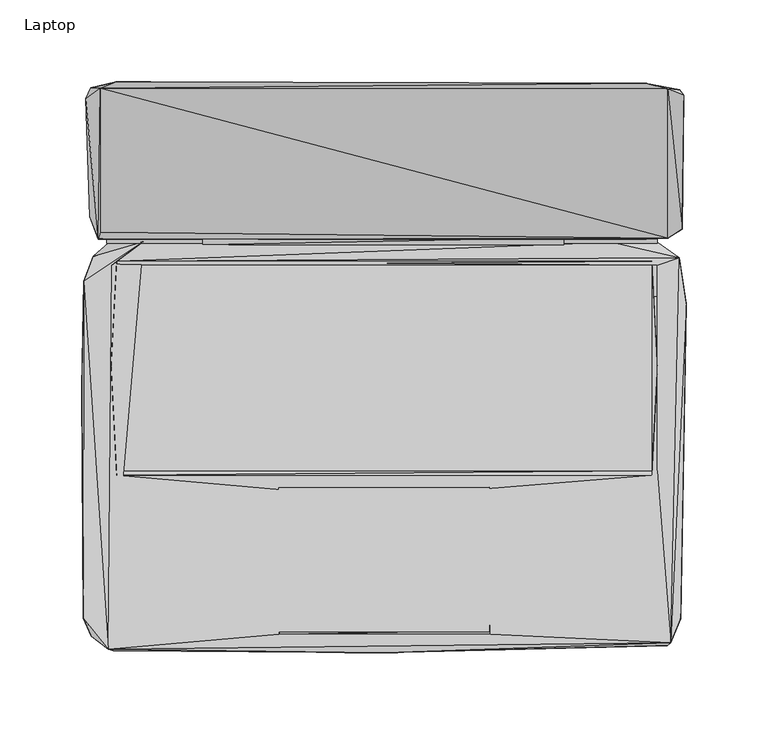
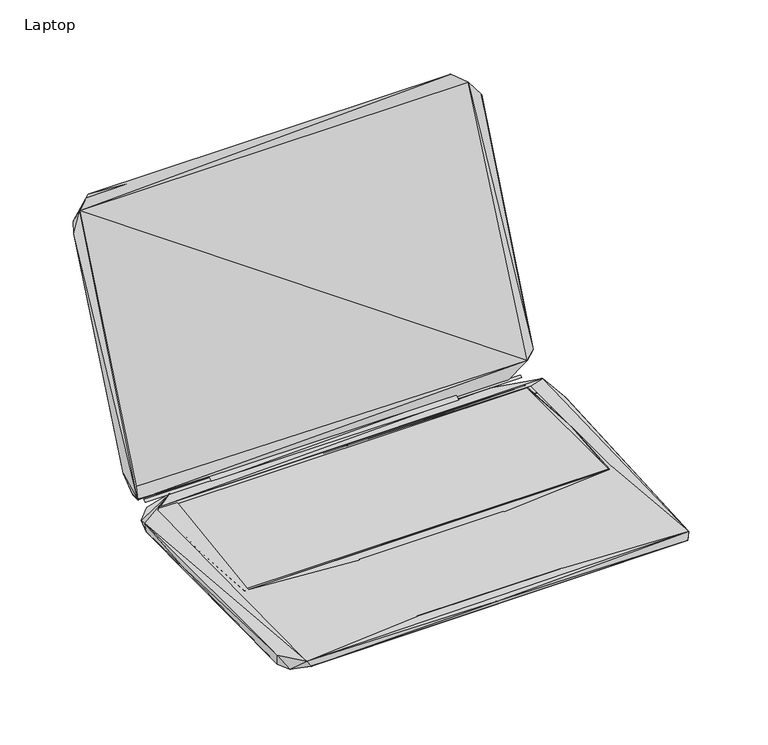
"""IFC4 building model written with IfcOpenShell, lengths in millimetres: furniture geometry, Laptop."""

from ifc_helpers import new_model, si_unit, origin, place, context, project, spatial, triangles, source, transform, mapped, element, save


def laptop_4621f8b4(model_context):
    return source(origin(), model_context, "Body", "Tessellation", [
        triangles([(-163.1627515, -63.416151, 10.6379555), (163.3643925, -63.4160783, 10.6379555), (-163.1627878, 62.2339239, 10.6379783), (163.3643744, 62.233992, 10.6379783)], [[1, 2, 3], [2, 4, 3]], closed=False),
        triangles([(-110.8122314, 74.6277804, 10.6596373), (109.6013315, 74.6278258, 10.6596373), (109.7013254, 79.0278252, 13.5596386), (-110.8122314, 79.1277828, 13.5596386), (-177.749561, 67.5617827, 1.9875716), (-147.0631255, 76.4617936, 11.287573), (-168.0495535, 76.0617862, 5.7875731), (179.8283403, 64.0618555, 1.3875709), (-175.7495559, 83.7617841, 15.6875735), (179.7283464, 88.3618485, 24.8875729), (153.6283407, 77.6618475, 9.987574), (-174.5495564, 78.1617807, 13.8875744), (-173.4495691, 82.3617696, 23.5875728), (-173.4495691, 170.0836953, 230.6309443), (173.2283617, 78.5618471, 23.5875705), (-182.3495709, 163.783662, 215.9309332), (-169.4495589, 75.7617864, 11.0875727), (166.7283405, 75.7618636, 11.0875727), (-169.4495589, 78.1617807, 12.387574), (166.7283405, 78.1618624, 12.387574), (138.5419251, 76.3618542, 10.7875728), (166.8283526, 76.2618512, 5.8875733), (-166.3495664, 62.0617823, 11.3875703), (-163.1495437, 64.761781, 11.3875703), (-163.1495437, 62.1617853, 10.687571), (163.4283603, 64.7618537, 11.3875703), (166.7283405, 62.1618534, 11.487571), (180.1283584, 66.7618588, 11.1875723), (163.4283603, 62.1618534, 10.687571), (181.8283454, 84.2618535, 27.0875726), (173.2283435, 169.9837378, 230.7309564), (183.0283449, 165.9837457, 217.9309383), (180.4283219, 169.2837441, 219.6309435), (-179.2495784, 170.3836588, 222.6309421), (-163.4495617, 174.0836874, 240.2309398), (159.4283319, 173.2837362, 240.9309515), (-183.6495097, -153.3040328, 10.6875324), (-182.5495042, -150.8040309, 0.2875334), (-178.849512, -164.2040215, 2.0875311), (-168.3494988, -172.3039995, 11.1875302), (-184.5495456, -12.960151, 6.4875577), (-183.3495462, 52.5508167, 10.087569), (-180.9495473, 54.1508144, 0.2875692), (180.9284004, -153.7039357, 0.3875329), (-165.1495125, -173.3040111, 5.9875297), (172.9283981, -170.0039582, 4.2875301), (-0.1173252, -174.3039864, 9.9875297), (-64.3902058, -163.2039917, 11.4875301), (-62.6902278, -74.8820617, 10.9875459), (174.8283912, -168.4039468, 11.2875298), (64.669095, -163.2039735, 11.4875301), (-166.5495179, -63.3820824, 11.4875483), (-162.9495378, -66.0820811, 11.4875483), (-64.3902058, -161.8039863, 11.0875318), (64.2691013, -161.7039561, 11.0875318), (64.0690771, -73.4820291, 11.0875466), (-64.4902224, -73.5820593, 11.0875466), (-63.4902107, -159.8039994, 10.9875311), (62.0690947, -161.1039564, 10.9875311), (62.169075, -74.1820318, 10.9875459), (184.3283564, 38.55089, 8.787566), (163.4283784, -66.0820084, 11.4875483), (166.7283769, -63.3820051, 11.4875483), (182.5283391, 42.6508941, 0.1875672), (-163.1495255, -66.0820811, 11.3875487), (163.4283784, -63.3820051, 10.6875483), (-163.1495255, -63.3820824, 10.6875483), (-166.549536, 0.539851, 11.38756), (166.7283587, -1.7600793, 11.38756), (-179.8495418, 91.6617833, 32.1875747)], [[1, 2, 3], [1, 3, 4], [5, 6, 7], [5, 7, 8], [9, 10, 11], [9, 11, 12], [12, 13, 14], [12, 11, 15], [12, 15, 13], [12, 14, 16], [17, 18, 19], [19, 18, 20], [7, 6, 21], [7, 21, 22], [7, 22, 8], [23, 24, 6], [24, 25, 26], [24, 21, 6], [24, 27, 28], [24, 28, 21], [25, 29, 26], [21, 28, 22], [11, 30, 15], [11, 10, 30], [22, 28, 8], [15, 30, 31], [10, 32, 30], [10, 33, 32], [30, 32, 31], [16, 14, 34], [34, 35, 33], [34, 14, 35], [14, 36, 35], [14, 31, 36], [35, 36, 33], [36, 31, 33], [31, 32, 33], [37, 38, 39], [37, 39, 40], [37, 41, 38], [37, 42, 41], [37, 40, 42], [38, 41, 43], [38, 44, 39], [38, 43, 44], [39, 45, 40], [39, 46, 45], [39, 44, 46], [40, 23, 6], [40, 45, 47], [40, 48, 49], [40, 47, 50], [40, 51, 48], [40, 50, 51], [40, 52, 23], [40, 53, 52], [40, 49, 53], [40, 6, 42], [45, 46, 47], [54, 55, 56], [54, 56, 57], [48, 58, 49], [48, 59, 58], [48, 51, 59], [47, 46, 50], [51, 50, 60], [46, 44, 50], [50, 61, 28], [50, 44, 61], [50, 62, 60], [50, 63, 62], [50, 27, 63], [50, 28, 27], [44, 64, 61], [44, 43, 64], [65, 66, 67], [65, 62, 66], [65, 67, 68], [67, 25, 68], [53, 49, 60], [53, 60, 62], [66, 62, 69], [66, 69, 29], [41, 42, 43], [68, 25, 24], [69, 26, 29], [42, 5, 43], [42, 6, 5], [43, 5, 8], [43, 8, 64], [64, 8, 61], [61, 8, 28], [70, 9, 12], [70, 12, 16], [70, 10, 9], [70, 34, 33], [70, 33, 10], [70, 16, 34]], closed=False),
        triangles([(-173.4428834, 82.3395508, 23.54435), (173.289786, 78.5396283, 23.5443478), (-173.4429016, 170.1374529, 230.6010406), (173.2897678, 169.9375015, 230.6010406)], [[1, 2, 3], [2, 4, 3]], closed=False),
    ])


if __name__ == "__main__":
    model = new_model("IFC4")
    model_context = context("Model", 3, world=origin())
    ifc_project = project(units=[si_unit("LENGTHUNIT", "METRE", prefix="MILLI")], contexts=[model_context])
    site = spatial("IfcSite", under=ifc_project)
    building = spatial("IfcBuilding", under=site)
    placement = place(None, origin())
    laptop_shape = laptop_4621f8b4(model_context)
    element("IfcFurniture", 1, ObjectType="Laptop", at=placement, inside=building, context=model_context, shape_type="MappedRepresentation", body=[
        mapped(laptop_shape, transform((0.0, 0.0, 0.0), x_axis=(1.0, 0.0, 0.0), y_axis=(0.0, 1.0, 0.0), z_axis=(0.0, 0.0, 1.0))),
    ])
    save(model, "model.ifc")
